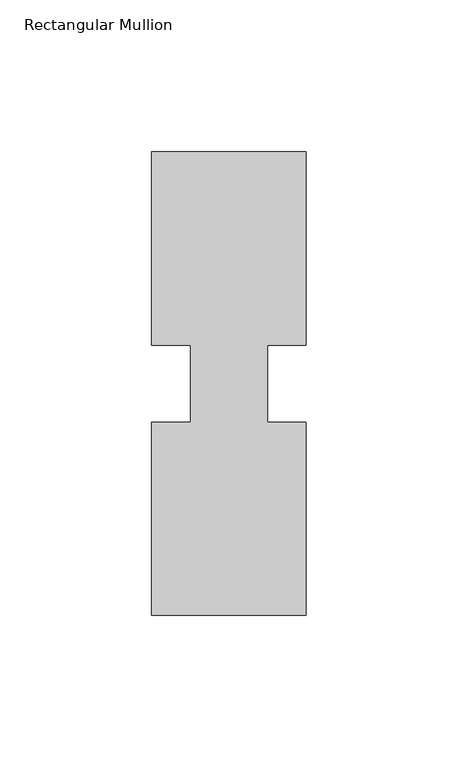
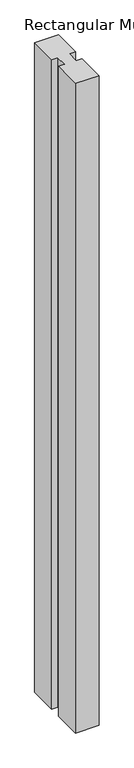
"""IFC4 building model written with IfcOpenShell, lengths in millimetres: member geometry, Rectangular Mullion."""

from ifc_helpers import new_model, si_unit, frame, origin, place, context, project, spatial, polyline, outline, extrude, source, transform, mapped, element, save


def rectangular_mullion_1152a82a(model_context):
    return source(origin(), model_context, "Body", "SweptSolid", [
        extrude(outline(polyline([(29.7344027, 76.2), (29.7344027, 12.7), (17.0326322, 12.7), (17.0326322, -12.7), (29.7344027, -12.7), (29.7344027, -76.2), (-21.0655973, -76.2), (-21.0655973, -12.7), (-8.3655973, -12.7), (-8.3655973, 12.7), (-21.0655973, 12.7), (-21.0655973, 76.2), (29.7344027, 76.2)])), frame((0.0, 0.0, -1478.28), z_axis=(0.0, 0.0, 1.0), x_axis=(1.0, 0.0, 0.0)), (0.0, 0.0, 1.0), 1478.28),
    ])


if __name__ == "__main__":
    model = new_model("IFC4")
    model_context = context("Model", 3, world=origin())
    ifc_project = project(units=[si_unit("LENGTHUNIT", "METRE", prefix="MILLI")], contexts=[model_context])
    site = spatial("IfcSite", under=ifc_project)
    building = spatial("IfcBuilding", under=site)
    placement = place(None, origin())
    rectangular_mullion_shape = rectangular_mullion_1152a82a(model_context)
    element("IfcMember", 1, ObjectType="Rectangular Mullion", at=placement, inside=building, context=model_context, shape_type="MappedRepresentation", body=[
        mapped(rectangular_mullion_shape, transform((0.0, 0.0, 0.0), x_axis=(1.0, 0.0, 0.0), y_axis=(0.0, 1.0, 0.0), z_axis=(0.0, 0.0, 1.0))),
    ])
    save(model, "model.ifc")
